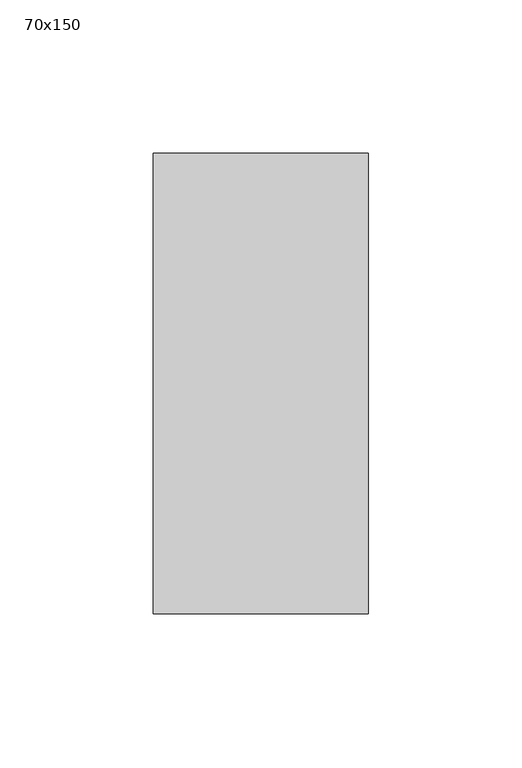
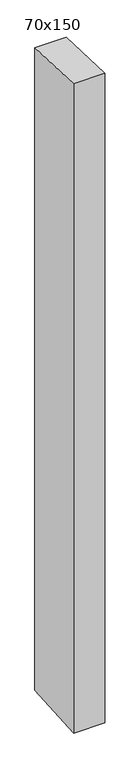
"""IFC4 building model written with IfcOpenShell, lengths in millimetres: member geometry, 70x150."""

from ifc_helpers import new_model, si_unit, frame, origin, place, context, project, spatial, polyline, outline, extrude, source, transform, mapped, element, save


def member_70x150_ebebe8d5(model_context):
    return source(origin(), model_context, "Body", "SweptSolid", [
        extrude(outline(polyline([(-75.0, 2.8650935), (75.0, -2.8650935), (75.0, -1521.0219989), (-75.0, -1530.8854759), (-75.0, 2.8650935)])), frame((-70.0, 0.0, 0.0), z_axis=(1.0, 0.0, 0.0), x_axis=(0.0, 1.0, 0.0)), (0.0, 0.0, 1.0), 70.0),
    ])


if __name__ == "__main__":
    model = new_model("IFC4")
    model_context = context("Model", 3, world=origin())
    ifc_project = project(units=[si_unit("LENGTHUNIT", "METRE", prefix="MILLI")], contexts=[model_context])
    site = spatial("IfcSite", under=ifc_project)
    building = spatial("IfcBuilding", under=site)
    placement = place(None, origin())
    member_70x150_shape = member_70x150_ebebe8d5(model_context)
    element("IfcMember", 1, ObjectType="70x150", at=placement, inside=building, context=model_context, shape_type="MappedRepresentation", body=[
        mapped(member_70x150_shape, transform((0.0, 0.0, 0.0), x_axis=(1.0, 0.0, 0.0), y_axis=(0.0, 1.0, 0.0), z_axis=(0.0, 0.0, 1.0))),
    ])
    save(model, "model.ifc")
